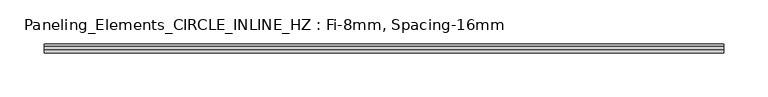
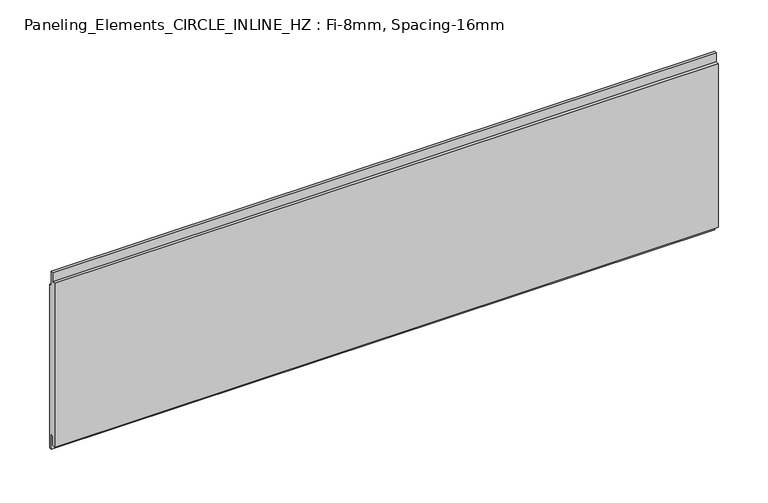
"""IFC4 building model written with IfcOpenShell, lengths in millimetres: plate geometry, Paneling_Elements_CIRCLE_INLINE_HZ : Fi-8mm, Spacing-16mm."""

from ifc_helpers import new_model, si_unit, frame, origin, place, context, project, spatial, polyline, outline, extrude, source, transform, mapped, element, save


def paneling_elements_circle_inline_hz_fi_8mm_spacing_16mm_db6ddc65(model_context):
    return source(origin(), model_context, "Body", "SweptSolid", [
        extrude(outline(polyline([(-1.0, 211.0), (2.0, 211.0), (2.0, 193.0), (5.0, 193.0), (5.0, -7.0), (2.0, -7.0), (2.0, 11.0), (-1.0, 11.0), (-1.0, 0.0), (-5.0, 0.0), (-5.0, 200.0), (-1.0, 200.0), (-1.0, 211.0)])), frame((-383.4, 0.0, 0.0), z_axis=(1.0, 0.0, 0.0), x_axis=(0.0, 1.0, 0.0)), (0.0, 0.0, 1.0), 766.8),
    ])


if __name__ == "__main__":
    model = new_model("IFC4")
    model_context = context("Model", 3, world=origin())
    ifc_project = project(units=[si_unit("LENGTHUNIT", "METRE", prefix="MILLI")], contexts=[model_context])
    site = spatial("IfcSite", under=ifc_project)
    building = spatial("IfcBuilding", under=site)
    placement = place(None, origin())
    paneling_elements_circle_inline_hz_fi_8mm_spacing_16mm_shape = paneling_elements_circle_inline_hz_fi_8mm_spacing_16mm_db6ddc65(model_context)
    element("IfcPlate", 1, ObjectType="Paneling_Elements_CIRCLE_INLINE_HZ : Fi-8mm, Spacing-16mm", at=placement, inside=building, context=model_context, shape_type="MappedRepresentation", body=[
        mapped(paneling_elements_circle_inline_hz_fi_8mm_spacing_16mm_shape, transform((0.0, 0.0, 0.0), x_axis=(1.0, 0.0, 0.0), y_axis=(0.0, 1.0, 0.0), z_axis=(0.0, 0.0, 1.0))),
    ])
    save(model, "model.ifc")
